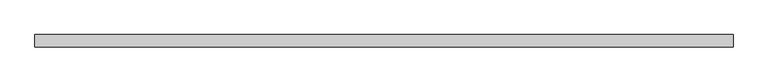
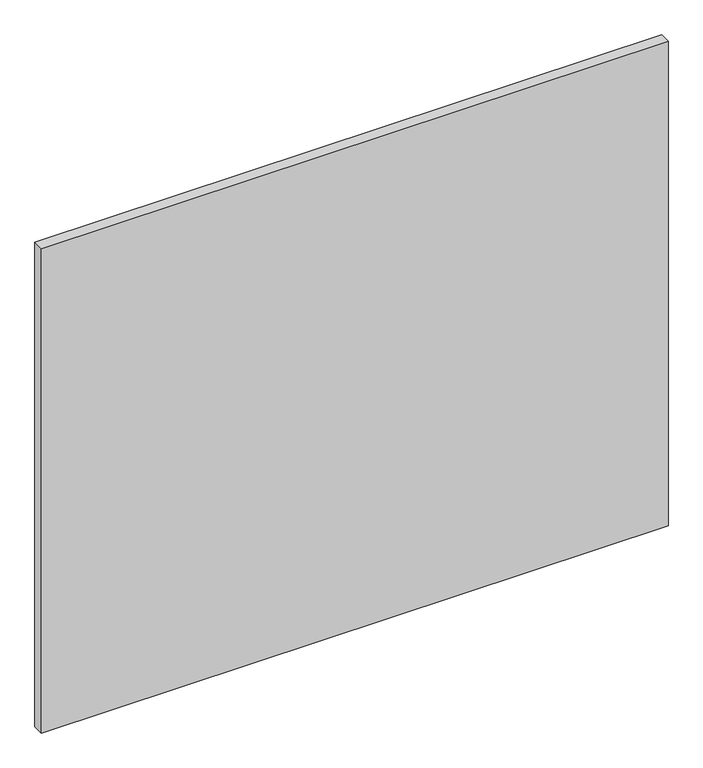
"""IFC4 building model written with IfcOpenShell, lengths in millimetres: proxy geometry."""

from ifc_helpers import new_model, si_unit, frame, origin, place, context, project, spatial, polyline, outline, extrude, source, transform, mapped, element, save


def specialty_equipment_7dd5e357(model_context):
    return source(origin(), model_context, "Body", "SweptSolid", [
        extrude(outline(polyline([(546.1, 0.0), (-546.1, 0.0), (-546.1, 19.05), (546.1, 19.05), (546.1, 0.0)])), frame((0.0, 0.0, 3.175), z_axis=(0.0, 0.0, 1.0), x_axis=(1.0, 0.0, 0.0)), (0.0, 0.0, 1.0), 892.175),
    ])


if __name__ == "__main__":
    model = new_model("IFC4")
    model_context = context("Model", 3, world=origin())
    ifc_project = project(units=[si_unit("LENGTHUNIT", "METRE", prefix="MILLI")], contexts=[model_context])
    site = spatial("IfcSite", under=ifc_project)
    building = spatial("IfcBuilding", under=site)
    placement = place(None, origin())
    specialty_equipment_shape = specialty_equipment_7dd5e357(model_context)
    element("IfcBuildingElementProxy", 1, Name="Specialty Equipment", at=placement, inside=building, context=model_context, shape_type="MappedRepresentation", body=[
        mapped(specialty_equipment_shape, transform((0.0, 0.0, 0.0), x_axis=(1.0, 0.0, 0.0), y_axis=(0.0, 1.0, 0.0), z_axis=(0.0, 0.0, 1.0))),
    ])
    save(model, "model.ifc")
